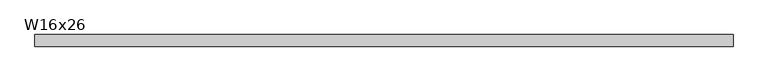
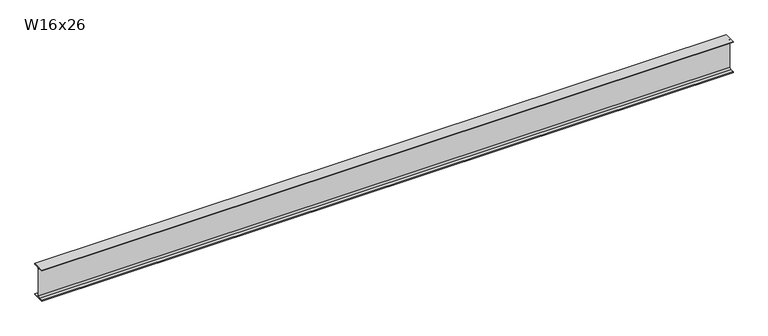
"""IFC4 building model written with IfcOpenShell, lengths in millimetres: beam geometry, W16x26."""

from ifc_helpers import new_model, si_unit, point, frame, frame_2d, origin, place, context, project, spatial, polyline, circle_curve, trimmed, segment, composite_curve, outline, extrude, source, transform, mapped, element, save


def w16x26_5e13aeaf(model_context):
    return source(origin(), model_context, "Body", "SweptSolid", [
        extrude(outline(composite_curve([segment(polyline([(69.85, -190.627), (69.85, -199.39), (-69.85, -199.39), (-69.85, -190.627), (-21.3995, -190.627)]), True, "CONTINUOUS"), segment(trimmed(circle_curve(frame_2d((-21.3995, -172.4025)), 18.2245), [point((-21.3995, -190.627))], [point((-3.175, -172.4025))], True, "CARTESIAN"), True, "CONTINUOUS"), segment(polyline([(-3.175, -172.4025), (-3.175, 172.4025)]), True, "CONTINUOUS"), segment(trimmed(circle_curve(frame_2d((-21.3995, 172.4025)), 18.2245), [point((-3.175, 172.4025))], [point((-21.3995, 190.627))], True, "CARTESIAN"), True, "CONTINUOUS"), segment(polyline([(-21.3995, 190.627), (-69.85, 190.627), (-69.85, 199.39), (69.85, 199.39), (69.85, 190.627), (21.3995, 190.627)]), True, "CONTINUOUS"), segment(trimmed(circle_curve(frame_2d((21.3995, 172.4025)), 18.2245), [point((21.3995, 190.627))], [point((3.175, 172.4025))], True, "CARTESIAN"), True, "CONTINUOUS"), segment(polyline([(3.175, 172.4025), (3.175, -172.4025)]), True, "CONTINUOUS"), segment(trimmed(circle_curve(frame_2d((21.3995, -172.4025)), 18.2245), [point((3.175, -172.4025))], [point((21.3995, -190.627))], True, "CARTESIAN"), True, "CONTINUOUS"), segment(polyline([(21.3995, -190.627), (69.85, -190.627)]), True, "CONTINUOUS")], self_intersect=False)), frame((-4197.7678539, 0.0, 0.0), z_axis=(1.0, 0.0, 0.0), x_axis=(0.0, 1.0, 0.0)), (0.0, 0.0, 1.0), 8395.5357077),
    ])


if __name__ == "__main__":
    model = new_model("IFC4")
    model_context = context("Model", 3, world=origin())
    ifc_project = project(units=[si_unit("LENGTHUNIT", "METRE", prefix="MILLI")], contexts=[model_context])
    site = spatial("IfcSite", under=ifc_project)
    building = spatial("IfcBuilding", under=site)
    placement = place(None, origin())
    w16x26_shape = w16x26_5e13aeaf(model_context)
    element("IfcBeam", 1, ObjectType="W16x26", at=placement, inside=building, context=model_context, shape_type="MappedRepresentation", body=[
        mapped(w16x26_shape, transform((0.0, 0.0, 0.0), x_axis=(1.0, 0.0, 0.0), y_axis=(0.0, 1.0, 0.0), z_axis=(0.0, 0.0, 1.0))),
    ])
    save(model, "model.ifc")
